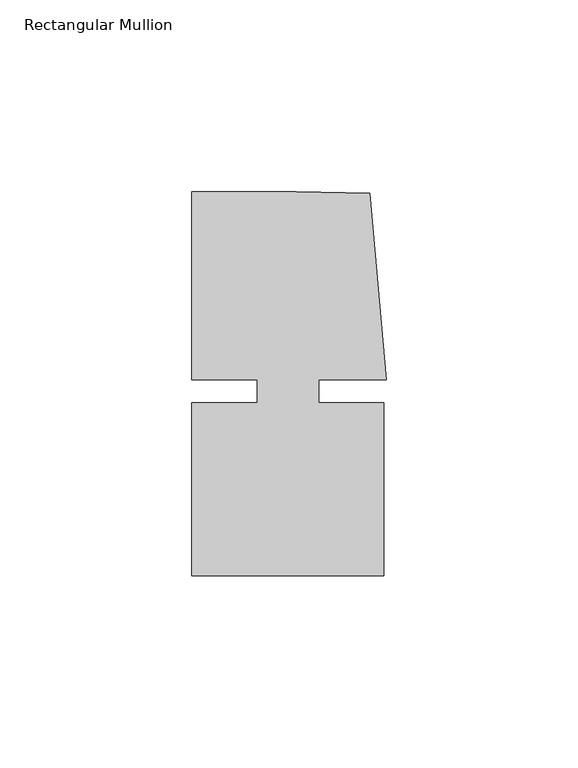
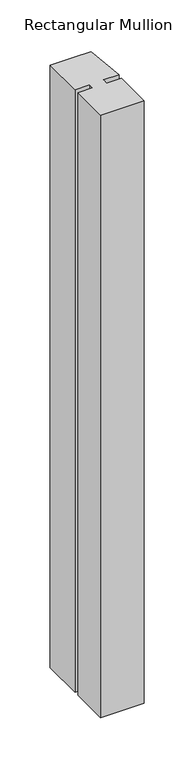
"""IFC4 building model written with IfcOpenShell, lengths in millimetres: member geometry, Rectangular Mullion."""

from ifc_helpers import new_model, si_unit, frame, origin, place, context, project, spatial, polyline, outline, extrude, source, transform, mapped, element, save


def rectangular_mullion_65c59226(model_context):
    return source(origin(), model_context, "Body", "SweptSolid", [
        extrude(outline(polyline([(8.0004917, -3.0000287), (25.00003, -3.0000271), (25.0000344, -48.0000271), (-24.9999656, -48.000032), (-24.99997, -3.000032), (-8.0004317, -3.0000303), (-8.0004323, 2.999987), (-24.9999706, 2.9999853), (-24.9999754, 51.999968), (2.2554581, 51.9999707), (21.3623265, 51.5846059), (25.6129344, 2.9999903), (8.0004911, 2.9999885), (8.0004917, -3.0000287)])), frame((0.0, 0.0, -729.9999879), z_axis=(0.0, 0.0, 1.0), x_axis=(1.0, 0.0, 0.0)), (0.0, 0.0, 1.0), 729.9999879),
    ])


if __name__ == "__main__":
    model = new_model("IFC4")
    model_context = context("Model", 3, world=origin())
    ifc_project = project(units=[si_unit("LENGTHUNIT", "METRE", prefix="MILLI")], contexts=[model_context])
    site = spatial("IfcSite", under=ifc_project)
    building = spatial("IfcBuilding", under=site)
    placement = place(None, origin())
    rectangular_mullion_shape = rectangular_mullion_65c59226(model_context)
    element("IfcMember", 1, ObjectType="Rectangular Mullion", at=placement, inside=building, context=model_context, shape_type="MappedRepresentation", body=[
        mapped(rectangular_mullion_shape, transform((0.0, 0.0, 0.0), x_axis=(1.0, 0.0, 0.0), y_axis=(0.0, 1.0, 0.0), z_axis=(0.0, 0.0, 1.0))),
    ])
    save(model, "model.ifc")
